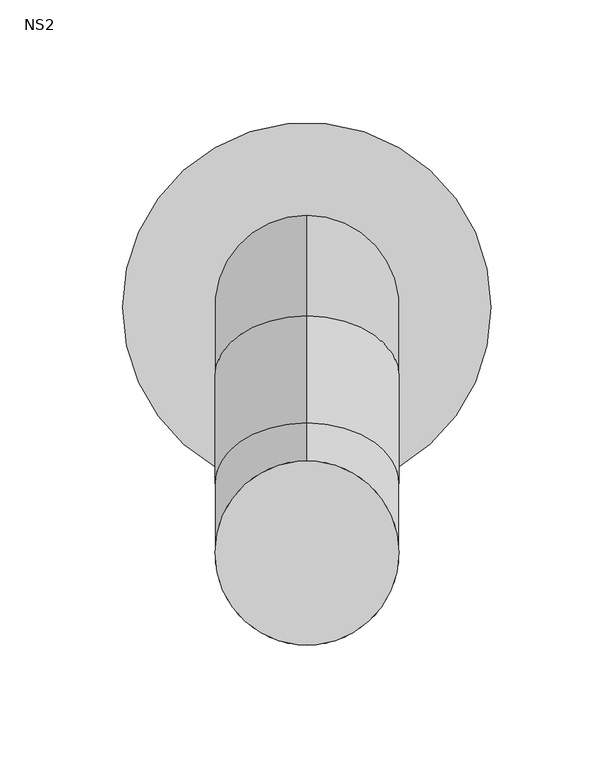
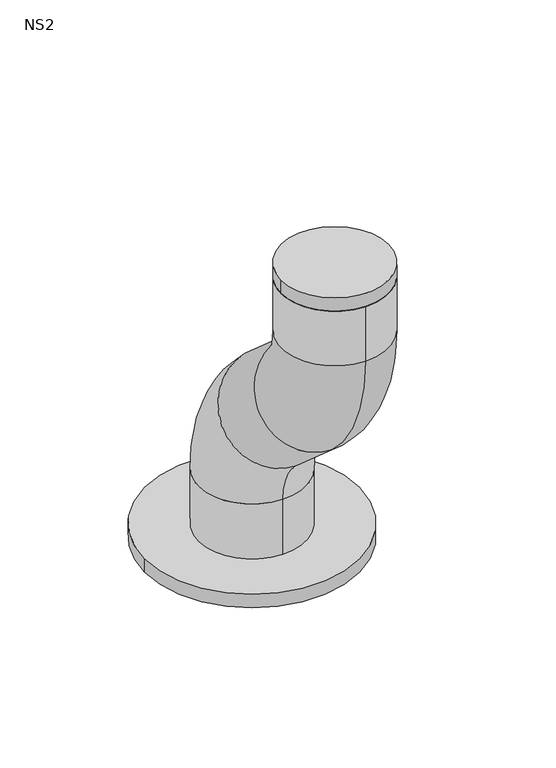
"""IFC4 building model written with IfcOpenShell, lengths in millimetres: unitary equipment geometry, NS2."""

from ifc_helpers import new_model, si_unit, point, frame, frame_2d, origin, place, context, project, spatial, circle_curve, ellipse_curve, trimmed, segment, composite_curve, outline, extrude, source, transform, mapped, element, save
from ifc_brep_helpers import plane_surface, cylinder_surface, revolved_surface, advanced_brep


def ns2_aebbb962(model_context):
    return source(origin(), model_context, "Body", "SolidModel", [
        advanced_brep(
        [(165.0, -22.5, 1252.0), (165.0, -97.5, 1252.0), (165.0, -22.5, 1302.1666667), (165.0, -97.5, 1302.1666667), (165.0, -112.9188525, 1336.1888735), (165.0, -63.4777932, 1392.5855192), (165.0, -107.0811475, 1430.8111265), (165.0, -156.5222068, 1374.4144808), (165.0, -197.5, 1464.8333333), (165.0, -122.5, 1464.8333333), (165.0, -122.5, 1505.0), (165.0, -197.5, 1505.0)],
        [
            (0, 1, circle_curve(frame((165.0, -60.0, 1252.0), z_axis=(0.0, 0.0, -1.0), x_axis=(0.0, -1.0, 0.0)), 37.5)),
            (1, 0, circle_curve(frame((165.0, -60.0, 1252.0), z_axis=(0.0, 0.0, -1.0), x_axis=(0.0, -1.0, 0.0)), 37.5)),
            (0, 2),
            (2, 3, circle_curve(frame((165.0, -60.0, 1302.1666667), z_axis=(0.0, 0.0, -1.0), x_axis=(0.0, -1.0, 0.0)), 37.5)),
            (3, 1),
            (3, 2, circle_curve(frame((165.0, -60.0, 1302.1666667), z_axis=(0.0, 0.0, -1.0), x_axis=(0.0, -1.0, 0.0)), 37.5)),
            (4, 3, circle_curve(frame((165.0, -142.7449872, 1302.1666667), z_axis=(-1.0, 0.0, 0.0), x_axis=(0.0, 1.0, 0.0)), 45.2449872)),
            (2, 5, circle_curve(frame((165.0, -142.7449872, 1302.1666667), z_axis=(1.0, 0.0, 0.0), x_axis=(0.0, 1.0, 0.0)), 120.2449872)),
            (5, 4, circle_curve(frame((165.0, -88.1983228, 1364.3871964), z_axis=(0.0, 0.7519552759659777, -0.6592141252635069), x_axis=(0.0, -0.6592141252635069, -0.7519552759659777)), 37.5)),
            (4, 5, circle_curve(frame((165.0, -88.1983228, 1364.3871964), z_axis=(0.0, 0.7519552759659779, -0.6592141252635065), x_axis=(0.0, -0.6592141252635065, -0.7519552759659779)), 37.5)),
            (5, 6),
            (6, 7, circle_curve(frame((165.0, -131.8016772, 1402.6128036), z_axis=(0.0, 0.7519552759659772, -0.6592141252635073), x_axis=(0.0, -0.6592141252635073, -0.7519552759659772)), 37.5)),
            (7, 4),
            (7, 6, circle_curve(frame((165.0, -131.8016772, 1402.6128036), z_axis=(0.0, 0.7519552759659772, -0.6592141252635073), x_axis=(0.0, -0.6592141252635073, -0.7519552759659772)), 37.5)),
            (8, 7, circle_curve(frame((165.0, -77.2550128, 1464.8333333), z_axis=(1.0, 0.0, 0.0), x_axis=(0.0, -0.6592141252635073, -0.7519552759659771)), 120.2449872)),
            (6, 9, circle_curve(frame((165.0, -77.2550128, 1464.8333333), z_axis=(-1.0, 0.0, 0.0), x_axis=(0.0, -0.6592141252635073, -0.7519552759659771)), 45.2449872)),
            (9, 8, circle_curve(frame((165.0, -160.0, 1464.8333333), z_axis=(0.0, 0.0, -1.0), x_axis=(0.0, -1.0, 0.0)), 37.5)),
            (8, 9, circle_curve(frame((165.0, -160.0, 1464.8333333), z_axis=(0.0, 0.0, -1.0), x_axis=(0.0, -1.0, 0.0)), 37.5)),
            (10, 11, circle_curve(frame((165.0, -160.0, 1505.0), z_axis=(0.0, 0.0, 1.0), x_axis=(0.0, -1.0, 0.0)), 37.5)),
            (11, 10, circle_curve(frame((165.0, -160.0, 1505.0), z_axis=(0.0, 0.0, 1.0), x_axis=(0.0, -1.0, 0.0)), 37.5)),
            (9, 10),
            (11, 8),
        ],
        [
            plane_surface(frame((165.0, -60.0, 1252.0), z_axis=(0.0, 0.0, -1.0), x_axis=(1.0, 0.0, 0.0))),
            cylinder_surface(frame((165.0, -60.0, 1252.0), z_axis=(0.0, 0.0, -1.0), x_axis=(0.0, -1.0, 0.0)), 37.5),
            revolved_surface(trimmed(ellipse_curve(frame((165.0, -60.0, 1302.1666667), z_axis=(0.0, 0.0, -1.0), x_axis=(0.0, -1.0, 0.0)), 37.5, 37.5), [point((165.0, -22.5, 1302.1666667))], [point((165.0, -97.5, 1302.1666667))], True, "CARTESIAN"), (165.0, -142.7449872, 1302.1666667), (1.0, 0.0, 0.0)),
            revolved_surface(trimmed(ellipse_curve(frame((165.0, -60.0, 1302.1666667), z_axis=(0.0, 0.0, -1.0), x_axis=(0.0, -1.0, 0.0)), 37.5, 37.5), [point((165.0, -97.5, 1302.1666667))], [point((165.0, -22.5, 1302.1666667))], True, "CARTESIAN"), (165.0, -142.7449872, 1302.1666667), (1.0, 0.0, 0.0)),
            cylinder_surface(frame((165.0, -88.1983228, 1364.3871964), z_axis=(0.0, 0.7519552759659772, -0.6592141252635073), x_axis=(0.0, -0.6592141252635073, -0.7519552759659772)), 37.5),
            revolved_surface(trimmed(ellipse_curve(frame((165.0, -131.8016772, 1402.6128036), z_axis=(0.0, 0.7519552759659771, -0.6592141252635073), x_axis=(0.0, -0.6592141252635073, -0.7519552759659771)), 37.5, 37.5), [point((165.0, -107.0811475, 1430.8111265))], [point((165.0, -156.5222068, 1374.4144808))], True, "CARTESIAN"), (165.0, -77.2550128, 1464.8333333), (-1.0, 0.0, 0.0)),
            revolved_surface(trimmed(ellipse_curve(frame((165.0, -131.8016772, 1402.6128036), z_axis=(0.0, 0.7519552759659771, -0.6592141252635073), x_axis=(0.0, -0.6592141252635073, -0.7519552759659771)), 37.5, 37.5), [point((165.0, -156.5222068, 1374.4144808))], [point((165.0, -107.0811475, 1430.8111265))], True, "CARTESIAN"), (165.0, -77.2550128, 1464.8333333), (-1.0, 0.0, 0.0)),
            plane_surface(frame((165.0, -160.0, 1505.0), z_axis=(0.0, 0.0, 1.0), x_axis=(1.0, 0.0, 0.0))),
            cylinder_surface(frame((165.0, -160.0, 1464.8333333), z_axis=(0.0, 0.0, -1.0), x_axis=(0.0, -1.0, 0.0)), 37.5),
        ],
        [
            (0, [[1, 2]]),
            (1, [[-1, 3, 4, 5]]),
            (1, [[-2, -5, 6, -3]]),
            (2, [[7, -4, 8, 9]]),
            (3, [[-8, -6, -7, 10]]),
            (4, [[-9, 11, 12, 13]]),
            (4, [[-10, -13, 14, -11]]),
            (5, [[15, -12, 16, 17]]),
            (6, [[-16, -14, -15, 18]]),
            (7, [[19, 20]]),
            (8, [[-17, 21, -20, 22]]),
            (8, [[-18, -22, -19, -21]]),
        ],
    ),
        extrude(outline(composite_curve([segment(trimmed(circle_curve(frame_2d((165.0, -160.0)), 37.5), [point((127.5, -160.0))], [point((202.5, -160.0))], False, "CARTESIAN"), True, "CONTINUOUS"), segment(trimmed(circle_curve(frame_2d((165.0, -160.0)), 37.5), [point((202.5, -160.0))], [point((127.5, -160.0))], False, "CARTESIAN"), True, "CONTINUOUS")], self_intersect=False)), frame((0.0, 0.0, 1505.0), z_axis=(0.0, 0.0, 1.0), x_axis=(1.0, 0.0, 0.0)), (0.0, 0.0, 1.0), 10.0),
        extrude(outline(composite_curve([segment(trimmed(circle_curve(frame_2d((165.0, -60.0)), 75.0), [point((90.0, -60.0))], [point((240.0, -60.0))], False, "CARTESIAN"), True, "CONTINUOUS"), segment(trimmed(circle_curve(frame_2d((165.0, -60.0)), 75.0), [point((240.0, -60.0))], [point((90.0, -60.0))], False, "CARTESIAN"), True, "CONTINUOUS")], self_intersect=False)), frame((0.0, 0.0, 1252.0), z_axis=(0.0, 0.0, 1.0), x_axis=(1.0, 0.0, 0.0)), (0.0, 0.0, 1.0), 10.0),
    ])


if __name__ == "__main__":
    model = new_model("IFC4")
    model_context = context("Model", 3, world=origin())
    ifc_project = project(units=[si_unit("LENGTHUNIT", "METRE", prefix="MILLI")], contexts=[model_context])
    site = spatial("IfcSite", under=ifc_project)
    building = spatial("IfcBuilding", under=site)
    placement = place(None, origin())
    ns2_shape = ns2_aebbb962(model_context)
    element("IfcUnitaryEquipment", 1, ObjectType="NS2", at=placement, inside=building, context=model_context, shape_type="MappedRepresentation", body=[
        mapped(ns2_shape, transform((0.0, 0.0, 0.0), x_axis=(1.0, 0.0, 0.0), y_axis=(0.0, 1.0, 0.0), z_axis=(0.0, 0.0, 1.0))),
    ])
    save(model, "model.ifc")
